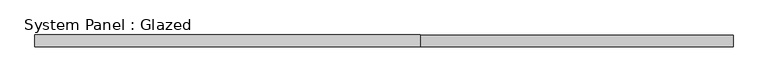
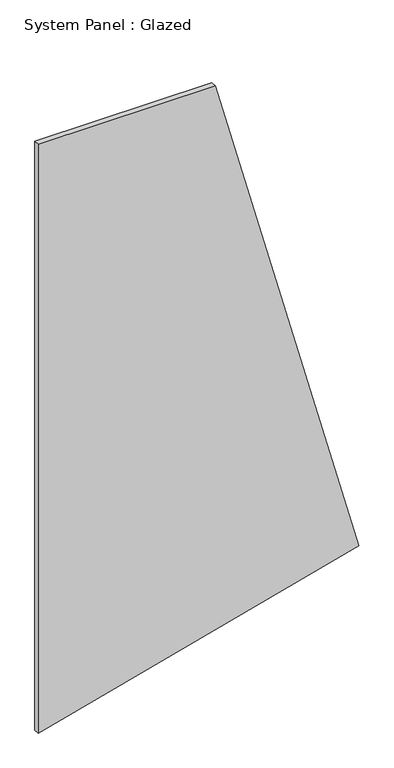
"""IFC4 building model written with IfcOpenShell, lengths in millimetres: plate geometry, System Panel : Glazed."""

from ifc_helpers import new_model, si_unit, frame, origin, place, context, project, spatial, polyline, outline, extrude, source, transform, mapped, element, save


def system_panel_glazed_16c24de1(model_context):
    return source(origin(), model_context, "Body", "SweptSolid", [
        extrude(outline(polyline([(0.0, -747.6505786), (400.6647375, 747.6505786), (2901.9606301, 77.4303642), (2901.9606301, -747.6505786), (0.0, -747.6505786)])), frame((0.0, -22.5, 0.0), z_axis=(0.0, 1.0, 0.0), x_axis=(0.0, 0.0, 1.0)), (0.0, 0.0, 1.0), 25.0),
    ])


if __name__ == "__main__":
    model = new_model("IFC4")
    model_context = context("Model", 3, world=origin())
    ifc_project = project(units=[si_unit("LENGTHUNIT", "METRE", prefix="MILLI")], contexts=[model_context])
    site = spatial("IfcSite", under=ifc_project)
    building = spatial("IfcBuilding", under=site)
    placement = place(None, origin())
    system_panel_glazed_shape = system_panel_glazed_16c24de1(model_context)
    element("IfcPlate", 1, ObjectType="System Panel : Glazed", at=placement, inside=building, context=model_context, shape_type="MappedRepresentation", body=[
        mapped(system_panel_glazed_shape, transform((0.0, 0.0, 0.0), x_axis=(1.0, 0.0, 0.0), y_axis=(0.0, 1.0, 0.0), z_axis=(0.0, 0.0, 1.0))),
    ])
    save(model, "model.ifc")
